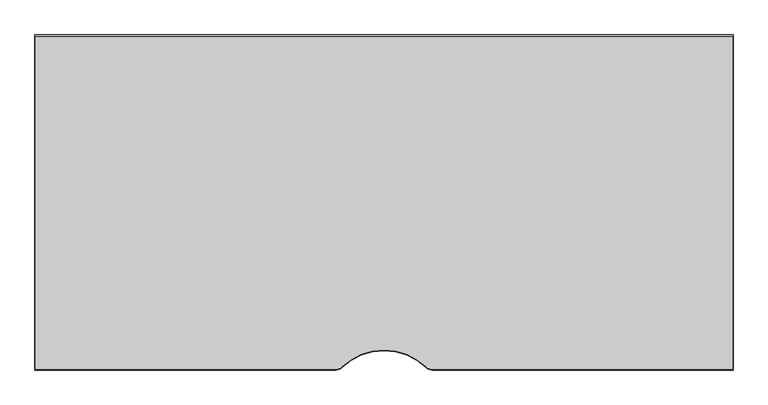
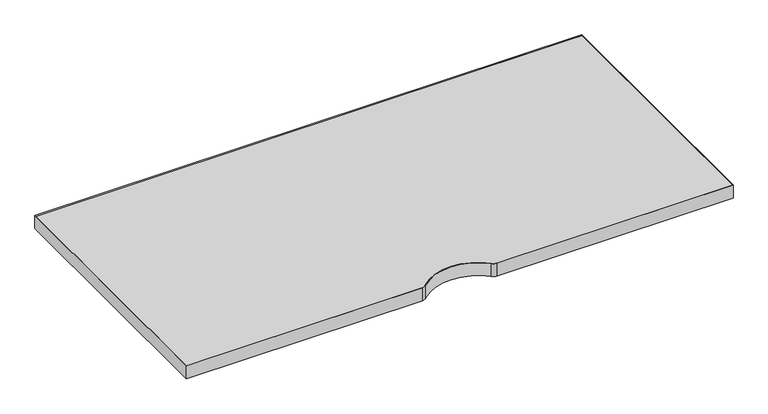
"""IFC4 building model written with IfcOpenShell, lengths in millimetres: furniture geometry."""

import ifcopenshell
import ifcopenshell.guid

model = None  # the IFC model being written
_history = None  # IfcOwnerHistory: only IFC2X3 demands one
_inside = {}  # id of a spatial element -> (the spatial element, [elements in it])
_under = {}  # id of a project, library or spatial element -> (it, [spatial elements below it])
_declared = {}  # id of a project -> (the project, [libraries it declares])
_typed = {}  # id of a type object -> (the type object, [elements of that type])
_made_of = {}  # id of a material, layer set ... -> (it, [elements and type objects made of it])


def new_model(schema):
    """Start an empty IFC model of exactly this schema.

    Asked for "IFC4X3", IfcOpenShell would pick the latest addendum, in which some entities
    have other attributes; the version numbers below select the first issue.
    IFC2X3 requires an IfcOwnerHistory on every rooted entity: one is made here for all.
    """
    global model, _history
    if schema == "IFC4X3":
        model = ifcopenshell.file(schema_version=(4, 3, 0, 0))
    else:
        model = ifcopenshell.file(schema=schema)
    _inside.clear()
    _under.clear()
    _declared.clear()
    _typed.clear()
    _made_of.clear()
    _history = None
    if model.schema == "IFC2X3":
        org = make("IfcOrganization", Name="unknown")
        user = make(
            "IfcPersonAndOrganization",
            ThePerson=make("IfcPerson", FamilyName="unknown"),
            TheOrganization=org,
        )
        app = make(
            "IfcApplication",
            ApplicationDeveloper=org,
            Version="unknown",
            ApplicationFullName="unknown",
            ApplicationIdentifier="unknown",
        )
        _history = make(
            "IfcOwnerHistory",
            OwningUser=user,
            OwningApplication=app,
            ChangeAction="ADDED",
            CreationDate=0,
        )
    return model


def make(cls, **values):
    """One entity of the class cls with the attributes given. An attribute that is None is left unset."""
    return model.create_entity(
        cls, **{name: value for name, value in values.items() if value is not None}
    )


def rooted(cls, **values):
    """An entity with a GlobalId (a new one), such as an element, a storey or a relation."""
    return make(cls, GlobalId=ifcopenshell.guid.new(), OwnerHistory=_history, **values)


def si_unit(unit_type, name, prefix=None):
    """IfcSIUnit, for example si_unit("LENGTHUNIT", "METRE", prefix="MILLI")."""
    return make("IfcSIUnit", UnitType=unit_type, Prefix=prefix, Name=name)


def assignment(units):
    """IfcUnitAssignment: the units of a project."""
    return None if units is None else make("IfcUnitAssignment", Units=units)


def point(xyz):
    """IfcCartesianPoint."""
    return None if xyz is None else make("IfcCartesianPoint", Coordinates=xyz)


def direction(xyz):
    """IfcDirection."""
    return None if xyz is None else make("IfcDirection", DirectionRatios=xyz)


def frame(location, z_axis=None, x_axis=None):
    """IfcAxis2Placement3D, a coordinate frame: its origin and axes. An axis left out is left unset."""
    return make(
        "IfcAxis2Placement3D",
        Location=point(location),
        Axis=direction(z_axis),
        RefDirection=direction(x_axis),
    )


def frame_2d(location, x_axis=None):
    """IfcAxis2Placement2D, a coordinate frame in the plane: its origin and x axis."""
    return make(
        "IfcAxis2Placement2D", Location=point(location), RefDirection=direction(x_axis)
    )


def origin():
    """The frame at (0, 0, 0) with its axes left unset."""
    return frame((0.0, 0.0, 0.0))


def place(relative_to, where):
    """IfcLocalPlacement: puts the frame where relative to a parent placement (None: the world)."""
    return make(
        "IfcLocalPlacement", PlacementRelTo=relative_to, RelativePlacement=where
    )


def context(
    kind, dimensions, precision=None, world=None, true_north=None, identifier=None
):
    """IfcGeometricRepresentationContext, for example the 3D "Model" context."""
    return make(
        "IfcGeometricRepresentationContext",
        ContextIdentifier=identifier,
        ContextType=kind,
        CoordinateSpaceDimension=dimensions,
        Precision=precision,
        WorldCoordinateSystem=world,
        TrueNorth=true_north,
    )


def project(units=None, contexts=None):
    """IfcProject with its units and contexts."""
    return rooted(
        "IfcProject",
        Name="project",
        RepresentationContexts=contexts,
        UnitsInContext=assignment(units),
    )


def spatial(cls, under=None, at=None, **own):
    """A site, building, storey or space (cls), placed at a placement, below another one or the project."""
    s = rooted(cls, ObjectPlacement=at, **own)
    if under is not None:
        _under.setdefault(under.id(), (under, []))[1].append(s)
    return s


def polyline(points):
    """IfcPolyline through the points."""
    return make("IfcPolyline", Points=[point(p) for p in points])


def circle_curve(where, radius):
    """IfcCircle in the frame where."""
    return make("IfcCircle", Position=where, Radius=radius)


def trimmed(basis, trim1, trim2, sense, master):
    """IfcTrimmedCurve: the piece of a basis curve between two trims."""
    return make(
        "IfcTrimmedCurve",
        BasisCurve=basis,
        Trim1=trim1,
        Trim2=trim2,
        SenseAgreement=sense,
        MasterRepresentation=master,
    )


def segment(curve, same_sense, transition):
    """IfcCompositeCurveSegment."""
    return make(
        "IfcCompositeCurveSegment",
        Transition=transition,
        SameSense=same_sense,
        ParentCurve=curve,
    )


def composite_curve(segments, self_intersect=None):
    """IfcCompositeCurve: segments joined end to end."""
    return make("IfcCompositeCurve", Segments=segments, SelfIntersect=self_intersect)


def outline(outer, holes=None, kind="AREA"):
    """IfcArbitraryClosedProfileDef: a profile drawn as a closed curve; with holes, ...WithVoids."""
    if holes is None:
        return make("IfcArbitraryClosedProfileDef", ProfileType=kind, OuterCurve=outer)
    return make(
        "IfcArbitraryProfileDefWithVoids",
        ProfileType=kind,
        OuterCurve=outer,
        InnerCurves=holes,
    )


def extrude(swept, where, along, depth):
    """IfcExtrudedAreaSolid: the profile swept, set in the frame where, extruded along a direction by depth."""
    return make(
        "IfcExtrudedAreaSolid",
        SweptArea=swept,
        Position=where,
        ExtrudedDirection=direction(along),
        Depth=depth,
    )


def shape(context_of_items, identifier, shape_type, items):
    """IfcShapeRepresentation: the items that make up one representation, for example the "Body"."""
    return make(
        "IfcShapeRepresentation",
        ContextOfItems=context_of_items,
        RepresentationIdentifier=identifier,
        RepresentationType=shape_type,
        Items=items,
    )


def source(mapping_origin, context_of_items, identifier, shape_type, items):
    """IfcRepresentationMap: a shape defined once, which mapped items show again and again."""
    return make(
        "IfcRepresentationMap",
        MappingOrigin=mapping_origin,
        MappedRepresentation=shape(context_of_items, identifier, shape_type, items),
    )


def transform(
    local_origin,
    x_axis=None,
    y_axis=None,
    z_axis=None,
    scale=None,
    scale2=None,
    scale3=None,
    uniform=True,
):
    """IfcCartesianTransformationOperator3D, or its non-uniform kind. x_axis, y_axis, z_axis: its Axis1, 2, 3."""
    if uniform:
        return make(
            "IfcCartesianTransformationOperator3D",
            Axis1=direction(x_axis),
            Axis2=direction(y_axis),
            LocalOrigin=point(local_origin),
            Scale=scale,
            Axis3=direction(z_axis),
        )
    return make(
        "IfcCartesianTransformationOperator3DnonUniform",
        Axis1=direction(x_axis),
        Axis2=direction(y_axis),
        LocalOrigin=point(local_origin),
        Scale=scale,
        Axis3=direction(z_axis),
        Scale2=scale2,
        Scale3=scale3,
    )


def mapped(mapping_source, mapping_target):
    """IfcMappedItem: shows the shape of a source again, moved by a transform."""
    return make(
        "IfcMappedItem", MappingSource=mapping_source, MappingTarget=mapping_target
    )


def made_of(thing, what):
    """Note that an element or type object is made of a material, layer set ...; save() writes the relation."""
    if what is not None:
        _made_of.setdefault(what.id(), (what, []))[1].append(thing)
    return thing


def element(
    cls,
    number,
    at=None,
    inside=None,
    cuts=None,
    type_object=None,
    material=None,
    context=None,
    identifier="Body",
    shape_type=None,
    held_by="IfcProductDefinitionShape",
    body=None,
    shapes=None,
    **own,
):
    """One element of the class cls, such as IfcWall. Its Tag is "e" and its number.

    at: its placement. inside: the storey or other place that contains it. cuts: it is an
    opening in that element (IfcRelVoidsElement). A single representation is given by context,
    identifier, shape_type and body (its items); several are given by shapes. held_by: the class
    of the entity that holds the representations. save() writes the other relations.
    """
    e = rooted(cls, Tag="e%d" % number, ObjectPlacement=at, **own)
    if body is not None:
        shapes = [shape(context, identifier, shape_type, body)]
    if shapes is not None:
        e.Representation = make(held_by, Representations=shapes)
    if inside is not None:
        _inside.setdefault(inside.id(), (inside, []))[1].append(e)
    if cuts is not None:
        rooted(
            "IfcRelVoidsElement", RelatingBuildingElement=cuts, RelatedOpeningElement=e
        )
    if type_object is not None:
        _typed.setdefault(type_object.id(), (type_object, []))[1].append(e)
    return made_of(e, material)


def aggregate(whole, parts):
    """IfcRelAggregates: a whole, such as a stair, and the parts it consists of."""
    return rooted("IfcRelAggregates", RelatingObject=whole, RelatedObjects=parts)


def save(model, path):
    """Write the relations noted so far, then the file.

    IfcRelAggregates (storeys below a building ...), IfcRelContainedInSpatialStructure (elements
    in a storey), IfcRelDefinesByType, IfcRelAssociatesMaterial and IfcRelDeclares: one each for
    every whole, place, type object, material and project.
    """
    for whole, parts in _under.values():
        aggregate(whole, parts)
    for where, things in _inside.values():
        rooted(
            "IfcRelContainedInSpatialStructure",
            RelatedElements=things,
            RelatingStructure=where,
        )
    for kind, things in _typed.values():
        rooted("IfcRelDefinesByType", RelatedObjects=things, RelatingType=kind)
    for what, things in _made_of.values():
        rooted("IfcRelAssociatesMaterial", RelatedObjects=things, RelatingMaterial=what)
    for by, libraries in _declared.values():
        rooted("IfcRelDeclares", RelatingContext=by, RelatedDefinitions=libraries)
    model.write(path)


def furniture_05bfe056(model_context):
    return source(origin(), model_context, "Body", "SweptSolid", [
        extrude(outline(composite_curve([segment(polyline([(524.6459249, 12.7000717), (1.016217, 12.7000717), (1.016217, 593.9027992), (1218.183783, 593.9027992), (1218.183783, 12.7000717), (694.5540751, 12.7000717)]), True, "CONTINUOUS"), segment(trimmed(circle_curve(frame_2d((693.7036731, 28.1434663)), 15.4667908), [point((694.5540751, 12.7000717))], [point((682.9874091, 16.9907399))], False, "CARTESIAN"), True, "CONTINUOUS"), segment(trimmed(circle_curve(frame_2d((609.6, -59.3856629)), 105.9200959), [point((682.9874091, 16.9907399))], [point((536.2125909, 16.9907399))], True, "CARTESIAN"), True, "CONTINUOUS"), segment(trimmed(circle_curve(frame_2d((525.4963269, 28.1434663)), 15.4667908), [point((536.2125909, 16.9907399))], [point((524.6459249, 12.7000717))], False, "CARTESIAN"), True, "CONTINUOUS")], self_intersect=False)), frame((0.0, 0.0, 698.5), z_axis=(0.0, 0.0, 1.0), x_axis=(1.0, 0.0, 0.0)), (0.0, 0.0, 1.0), 30.0990349),
        extrude(outline(composite_curve([segment(polyline([(525.4728301, 11.684), (0.0, 11.684), (0.0, 596.9), (1219.2, 596.9), (1219.2, 11.684), (693.7271699, 11.684)]), True, "CONTINUOUS"), segment(trimmed(circle_curve(frame_2d((693.7271699, 28.2855543)), 16.6015543), [point((693.7271699, 11.684))], [point((682.2327103, 16.3068647))], False, "CARTESIAN"), True, "CONTINUOUS"), segment(trimmed(circle_curve(frame_2d((609.6, -59.3856629)), 104.9040959), [point((682.2327103, 16.3068647))], [point((536.9672897, 16.3068647))], True, "CARTESIAN"), True, "CONTINUOUS"), segment(trimmed(circle_curve(frame_2d((525.4728301, 28.2855543)), 16.6015543), [point((536.9672897, 16.3068647))], [point((525.4728301, 11.684))], False, "CARTESIAN"), True, "CONTINUOUS")], self_intersect=False), holes=[composite_curve([segment(trimmed(circle_curve(frame_2d((525.4963269, 28.1434663)), 15.4667908), [point((524.6459249, 12.7000717))], [point((536.2125909, 16.9907399))], True, "CARTESIAN"), True, "CONTINUOUS"), segment(trimmed(circle_curve(frame_2d((609.6, -59.3856629)), 105.9200959), [point((536.2125909, 16.9907399))], [point((682.9874091, 16.9907399))], False, "CARTESIAN"), True, "CONTINUOUS"), segment(trimmed(circle_curve(frame_2d((693.7036731, 28.1434663)), 15.4667908), [point((682.9874091, 16.9907399))], [point((694.5540751, 12.7000717))], True, "CARTESIAN"), True, "CONTINUOUS"), segment(polyline([(694.5540751, 12.7000717), (1218.183783, 12.7000717), (1218.183783, 593.9027992), (1.016217, 593.9027992), (1.016217, 12.7000717), (524.6459249, 12.7000717)]), True, "CONTINUOUS")], self_intersect=False)]), frame((0.0, 0.0, 698.5), z_axis=(0.0, 0.0, 1.0), x_axis=(1.0, 0.0, 0.0)), (0.0, 0.0, 1.0), 30.0990349),
    ])


if __name__ == "__main__":
    model = new_model("IFC4")
    model_context = context("Model", 3, world=origin())
    ifc_project = project(units=[si_unit("LENGTHUNIT", "METRE", prefix="MILLI")], contexts=[model_context])
    site = spatial("IfcSite", under=ifc_project)
    building = spatial("IfcBuilding", under=site)
    placement = place(None, origin())
    furniture_shape = furniture_05bfe056(model_context)
    element("IfcFurniture", 1, at=placement, inside=building, context=model_context, shape_type="MappedRepresentation", body=[
        mapped(furniture_shape, transform((0.0, 0.0, 0.0), x_axis=(1.0, 0.0, 0.0), y_axis=(0.0, 1.0, 0.0), z_axis=(0.0, 0.0, 1.0))),
    ])
    save(model, "model.ifc")
